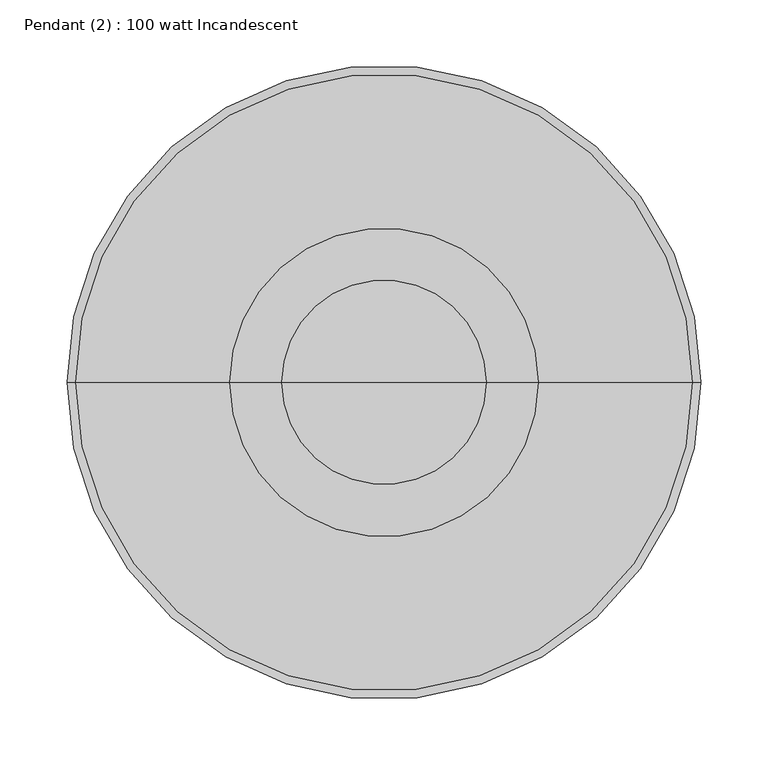
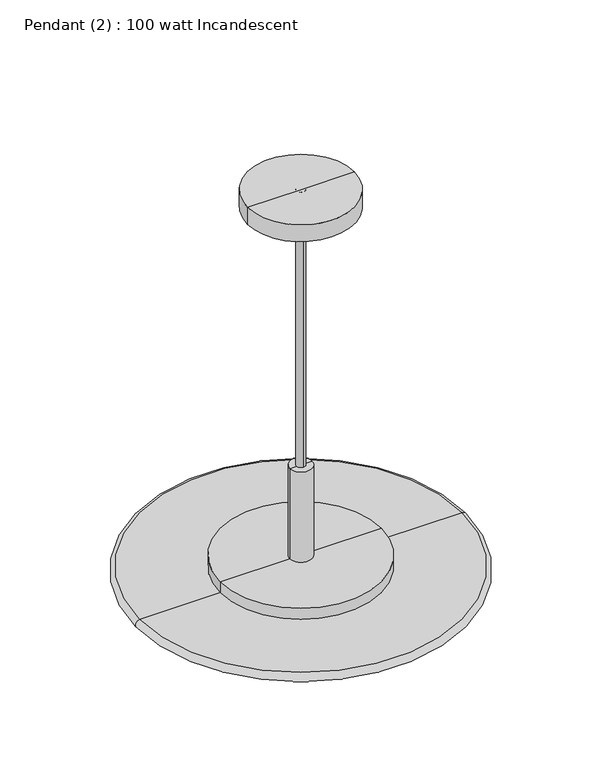
"""IFC4 building model written with IfcOpenShell, lengths in millimetres: light fixture geometry, Pendant (2) : 100 watt Incandescent."""

import ifcopenshell
import ifcopenshell.guid

model = None  # the IFC model being written
_history = None  # IfcOwnerHistory: only IFC2X3 demands one
_inside = {}  # id of a spatial element -> (the spatial element, [elements in it])
_under = {}  # id of a project, library or spatial element -> (it, [spatial elements below it])
_declared = {}  # id of a project -> (the project, [libraries it declares])
_typed = {}  # id of a type object -> (the type object, [elements of that type])
_made_of = {}  # id of a material, layer set ... -> (it, [elements and type objects made of it])


def new_model(schema):
    """Start an empty IFC model of exactly this schema.

    Asked for "IFC4X3", IfcOpenShell would pick the latest addendum, in which some entities
    have other attributes; the version numbers below select the first issue.
    IFC2X3 requires an IfcOwnerHistory on every rooted entity: one is made here for all.
    """
    global model, _history
    if schema == "IFC4X3":
        model = ifcopenshell.file(schema_version=(4, 3, 0, 0))
    else:
        model = ifcopenshell.file(schema=schema)
    _inside.clear()
    _under.clear()
    _declared.clear()
    _typed.clear()
    _made_of.clear()
    _history = None
    if model.schema == "IFC2X3":
        org = make("IfcOrganization", Name="unknown")
        user = make(
            "IfcPersonAndOrganization",
            ThePerson=make("IfcPerson", FamilyName="unknown"),
            TheOrganization=org,
        )
        app = make(
            "IfcApplication",
            ApplicationDeveloper=org,
            Version="unknown",
            ApplicationFullName="unknown",
            ApplicationIdentifier="unknown",
        )
        _history = make(
            "IfcOwnerHistory",
            OwningUser=user,
            OwningApplication=app,
            ChangeAction="ADDED",
            CreationDate=0,
        )
    return model


def make(cls, **values):
    """One entity of the class cls with the attributes given. An attribute that is None is left unset."""
    return model.create_entity(
        cls, **{name: value for name, value in values.items() if value is not None}
    )


def rooted(cls, **values):
    """An entity with a GlobalId (a new one), such as an element, a storey or a relation."""
    return make(cls, GlobalId=ifcopenshell.guid.new(), OwnerHistory=_history, **values)


def si_unit(unit_type, name, prefix=None):
    """IfcSIUnit, for example si_unit("LENGTHUNIT", "METRE", prefix="MILLI")."""
    return make("IfcSIUnit", UnitType=unit_type, Prefix=prefix, Name=name)


def assignment(units):
    """IfcUnitAssignment: the units of a project."""
    return None if units is None else make("IfcUnitAssignment", Units=units)


def point(xyz):
    """IfcCartesianPoint."""
    return None if xyz is None else make("IfcCartesianPoint", Coordinates=xyz)


def direction(xyz):
    """IfcDirection."""
    return None if xyz is None else make("IfcDirection", DirectionRatios=xyz)


def frame(location, z_axis=None, x_axis=None):
    """IfcAxis2Placement3D, a coordinate frame: its origin and axes. An axis left out is left unset."""
    return make(
        "IfcAxis2Placement3D",
        Location=point(location),
        Axis=direction(z_axis),
        RefDirection=direction(x_axis),
    )


def frame_2d(location, x_axis=None):
    """IfcAxis2Placement2D, a coordinate frame in the plane: its origin and x axis."""
    return make(
        "IfcAxis2Placement2D", Location=point(location), RefDirection=direction(x_axis)
    )


def origin():
    """The frame at (0, 0, 0) with its axes left unset."""
    return frame((0.0, 0.0, 0.0))


def origin_2d():
    """The frame at (0, 0) in the plane with its x axis left unset."""
    return frame_2d((0.0, 0.0))


def place(relative_to, where):
    """IfcLocalPlacement: puts the frame where relative to a parent placement (None: the world)."""
    return make(
        "IfcLocalPlacement", PlacementRelTo=relative_to, RelativePlacement=where
    )


def context(
    kind, dimensions, precision=None, world=None, true_north=None, identifier=None
):
    """IfcGeometricRepresentationContext, for example the 3D "Model" context."""
    return make(
        "IfcGeometricRepresentationContext",
        ContextIdentifier=identifier,
        ContextType=kind,
        CoordinateSpaceDimension=dimensions,
        Precision=precision,
        WorldCoordinateSystem=world,
        TrueNorth=true_north,
    )


def project(units=None, contexts=None):
    """IfcProject with its units and contexts."""
    return rooted(
        "IfcProject",
        Name="project",
        RepresentationContexts=contexts,
        UnitsInContext=assignment(units),
    )


def spatial(cls, under=None, at=None, **own):
    """A site, building, storey or space (cls), placed at a placement, below another one or the project."""
    s = rooted(cls, ObjectPlacement=at, **own)
    if under is not None:
        _under.setdefault(under.id(), (under, []))[1].append(s)
    return s


def polyline(points):
    """IfcPolyline through the points."""
    return make("IfcPolyline", Points=[point(p) for p in points])


def circle_curve(where, radius):
    """IfcCircle in the frame where."""
    return make("IfcCircle", Position=where, Radius=radius)


def ellipse_curve(where, semi_axis1, semi_axis2):
    """IfcEllipse in the frame where."""
    return make(
        "IfcEllipse", Position=where, SemiAxis1=semi_axis1, SemiAxis2=semi_axis2
    )


def trimmed(basis, trim1, trim2, sense, master):
    """IfcTrimmedCurve: the piece of a basis curve between two trims."""
    return make(
        "IfcTrimmedCurve",
        BasisCurve=basis,
        Trim1=trim1,
        Trim2=trim2,
        SenseAgreement=sense,
        MasterRepresentation=master,
    )


def segment(curve, same_sense, transition):
    """IfcCompositeCurveSegment."""
    return make(
        "IfcCompositeCurveSegment",
        Transition=transition,
        SameSense=same_sense,
        ParentCurve=curve,
    )


def composite_curve(segments, self_intersect=None):
    """IfcCompositeCurve: segments joined end to end."""
    return make("IfcCompositeCurve", Segments=segments, SelfIntersect=self_intersect)


def outline(outer, holes=None, kind="AREA"):
    """IfcArbitraryClosedProfileDef: a profile drawn as a closed curve; with holes, ...WithVoids."""
    if holes is None:
        return make("IfcArbitraryClosedProfileDef", ProfileType=kind, OuterCurve=outer)
    return make(
        "IfcArbitraryProfileDefWithVoids",
        ProfileType=kind,
        OuterCurve=outer,
        InnerCurves=holes,
    )


def extrude(swept, where, along, depth):
    """IfcExtrudedAreaSolid: the profile swept, set in the frame where, extruded along a direction by depth."""
    return make(
        "IfcExtrudedAreaSolid",
        SweptArea=swept,
        Position=where,
        ExtrudedDirection=direction(along),
        Depth=depth,
    )


def shape(context_of_items, identifier, shape_type, items):
    """IfcShapeRepresentation: the items that make up one representation, for example the "Body"."""
    return make(
        "IfcShapeRepresentation",
        ContextOfItems=context_of_items,
        RepresentationIdentifier=identifier,
        RepresentationType=shape_type,
        Items=items,
    )


def source(mapping_origin, context_of_items, identifier, shape_type, items):
    """IfcRepresentationMap: a shape defined once, which mapped items show again and again."""
    return make(
        "IfcRepresentationMap",
        MappingOrigin=mapping_origin,
        MappedRepresentation=shape(context_of_items, identifier, shape_type, items),
    )


def transform(
    local_origin,
    x_axis=None,
    y_axis=None,
    z_axis=None,
    scale=None,
    scale2=None,
    scale3=None,
    uniform=True,
):
    """IfcCartesianTransformationOperator3D, or its non-uniform kind. x_axis, y_axis, z_axis: its Axis1, 2, 3."""
    if uniform:
        return make(
            "IfcCartesianTransformationOperator3D",
            Axis1=direction(x_axis),
            Axis2=direction(y_axis),
            LocalOrigin=point(local_origin),
            Scale=scale,
            Axis3=direction(z_axis),
        )
    return make(
        "IfcCartesianTransformationOperator3DnonUniform",
        Axis1=direction(x_axis),
        Axis2=direction(y_axis),
        LocalOrigin=point(local_origin),
        Scale=scale,
        Axis3=direction(z_axis),
        Scale2=scale2,
        Scale3=scale3,
    )


def mapped(mapping_source, mapping_target):
    """IfcMappedItem: shows the shape of a source again, moved by a transform."""
    return make(
        "IfcMappedItem", MappingSource=mapping_source, MappingTarget=mapping_target
    )


def made_of(thing, what):
    """Note that an element or type object is made of a material, layer set ...; save() writes the relation."""
    if what is not None:
        _made_of.setdefault(what.id(), (what, []))[1].append(thing)
    return thing


def element(
    cls,
    number,
    at=None,
    inside=None,
    cuts=None,
    type_object=None,
    material=None,
    context=None,
    identifier="Body",
    shape_type=None,
    held_by="IfcProductDefinitionShape",
    body=None,
    shapes=None,
    **own,
):
    """One element of the class cls, such as IfcWall. Its Tag is "e" and its number.

    at: its placement. inside: the storey or other place that contains it. cuts: it is an
    opening in that element (IfcRelVoidsElement). A single representation is given by context,
    identifier, shape_type and body (its items); several are given by shapes. held_by: the class
    of the entity that holds the representations. save() writes the other relations.
    """
    e = rooted(cls, Tag="e%d" % number, ObjectPlacement=at, **own)
    if body is not None:
        shapes = [shape(context, identifier, shape_type, body)]
    if shapes is not None:
        e.Representation = make(held_by, Representations=shapes)
    if inside is not None:
        _inside.setdefault(inside.id(), (inside, []))[1].append(e)
    if cuts is not None:
        rooted(
            "IfcRelVoidsElement", RelatingBuildingElement=cuts, RelatedOpeningElement=e
        )
    if type_object is not None:
        _typed.setdefault(type_object.id(), (type_object, []))[1].append(e)
    return made_of(e, material)


def aggregate(whole, parts):
    """IfcRelAggregates: a whole, such as a stair, and the parts it consists of."""
    return rooted("IfcRelAggregates", RelatingObject=whole, RelatedObjects=parts)


def save(model, path):
    """Write the relations noted so far, then the file.

    IfcRelAggregates (storeys below a building ...), IfcRelContainedInSpatialStructure (elements
    in a storey), IfcRelDefinesByType, IfcRelAssociatesMaterial and IfcRelDeclares: one each for
    every whole, place, type object, material and project.
    """
    for whole, parts in _under.values():
        aggregate(whole, parts)
    for where, things in _inside.values():
        rooted(
            "IfcRelContainedInSpatialStructure",
            RelatedElements=things,
            RelatingStructure=where,
        )
    for kind, things in _typed.values():
        rooted("IfcRelDefinesByType", RelatedObjects=things, RelatingType=kind)
    for what, things in _made_of.values():
        rooted("IfcRelAssociatesMaterial", RelatedObjects=things, RelatingMaterial=what)
    for by, libraries in _declared.values():
        rooted("IfcRelDeclares", RelatingContext=by, RelatedDefinitions=libraries)
    model.write(path)


def plane_surface(at):
    """IfcPlane: the flat surface through the origin of the frame at, square to its z axis."""
    return make("IfcPlane", Position=at)


def cylinder_surface(at, radius):
    """IfcCylindricalSurface: all points at the distance radius from the z axis of the frame at."""
    return make("IfcCylindricalSurface", Position=at, Radius=radius)


def revolved_surface(curve, axis_point, axis_direction):
    """IfcSurfaceOfRevolution: the curve turned about the line through axis_point along axis_direction."""
    return make(
        "IfcSurfaceOfRevolution",
        SweptCurve=make("IfcArbitraryOpenProfileDef", ProfileType="CURVE", Curve=curve),
        AxisPosition=make("IfcAxis1Placement", Location=point(axis_point), Axis=direction(axis_direction)),
    )


def advanced_brep(points, edges, surfaces, faces):
    """IfcAdvancedBrep: a solid bounded by faces that lie on surfaces and meet in shared edges.

    An edge is (start, end): straight between two places in points (the first is 0);
    or (start, end, curve); or (start, end, curve, False) where it runs against its curve.
    A face is (place in surfaces, loops), or (place, loops, False) where it looks against
    its surface's normal. A loop lists edges by number (the first is 1), with a minus sign
    where the edge is run from its end to its start. The first loop is the outer one.
    """
    corners = [point(p) for p in points]
    vertices = [make("IfcVertexPoint", VertexGeometry=c) for c in corners]
    made = []
    for start, end, *more in edges:
        made.append(
            make(
                "IfcEdgeCurve",
                EdgeStart=vertices[start],
                EdgeEnd=vertices[end],
                EdgeGeometry=more[0] if more else make("IfcPolyline", Points=[corners[start], corners[end]]),
                SameSense=more[1] if len(more) > 1 else True,
            )
        )
    hull = []
    for where, loops, *sense in faces:
        bounds = []
        for j, loop in enumerate(loops):
            ring = [make("IfcOrientedEdge", EdgeElement=made[abs(k) - 1], Orientation=k > 0) for k in loop]
            bounds.append(
                make(
                    "IfcFaceOuterBound" if j == 0 else "IfcFaceBound",
                    Bound=make("IfcEdgeLoop", EdgeList=ring),
                    Orientation=True,
                )
            )
        hull.append(make("IfcAdvancedFace", Bounds=bounds, FaceSurface=surfaces[where], SameSense=sense[0] if sense else True))
    return make("IfcAdvancedBrep", Outer=make("IfcClosedShell", CfsFaces=hull))


def pendant_2_100_watt_incandescent_f5747c87(model_context):
    return source(origin(), model_context, "Body", "SolidModel", [
        advanced_brep(
        [(76.2, 0.0, 2413.0000062), (-76.2, 0.0, 2413.0000062), (-76.2, 0.0, 2438.4000062), (76.2, 0.0, 2438.4000062), (0.0, 0.0, 2377.4673627), (0.0, 0.0, 2438.4000062)],
        [
            (0, 1, circle_curve(frame((0.0, 0.0, 2413.0000062), z_axis=(0.0, 0.0, 1.0), x_axis=(-1.0, 0.0, 0.0)), 76.2)),
            (1, 2),
            (2, 3, circle_curve(frame((0.0, 0.0, 2438.4000062), z_axis=(0.0, 0.0, -1.0), x_axis=(-1.0, 0.0, 0.0)), 76.2)),
            (3, 0),
            (1, 0, circle_curve(frame((0.0, 0.0, 2413.0000062), z_axis=(0.0, 0.0, 1.0), x_axis=(-1.0, 0.0, 0.0)), 76.2)),
            (3, 2, circle_curve(frame((0.0, 0.0, 2438.4000062), z_axis=(0.0, 0.0, -1.0), x_axis=(-1.0, 0.0, 0.0)), 76.2)),
            (4, 1),
            (0, 4),
            (2, 5),
            (5, 3),
        ],
        [
            cylinder_surface(frame((0.0, 0.0, 2514.6000062), z_axis=(0.0, 0.0, -1.0), x_axis=(-1.0, 0.0, 0.0)), 76.2),
            revolved_surface(polyline([(-76.2, 0.0, 2413.0000062), (0.0, 0.0, 2377.4673627)]), (0.0, 0.0, 2514.6000062), (0.0, 0.0, -1.0)),
            plane_surface(frame((0.0, 0.0, 2438.4000062), z_axis=(0.0, 0.0, 1.0), x_axis=(-1.0, 0.0, 0.0))),
        ],
        [
            (0, [[1, 2, 3, 4]]),
            (0, [[5, -4, 6, -2]]),
            (1, [[7, -1, 8]]),
            (1, [[-8, -5, -7]]),
            (2, [[-3, 9, 10]]),
            (2, [[-6, -10, -9]]),
        ],
    ),
        advanced_brep(
        [(15.875, 0.0, 1886.475253), (-15.875, 0.0, 1886.475253), (-15.875, 0.0, 2022.55), (15.875, 0.0, 2022.55), (115.0, 0.0, 1886.475253), (-115.0, 0.0, 1886.475253), (115.0, 0.0, 1851.1000062), (-115.0, 0.0, 1851.1000062), (38.1, 0.0, 1851.1000062), (-38.1, 0.0, 1851.1000062), (38.1, 0.0, 1870.15), (-38.1, 0.0, 1870.15), (0.0, 0.0, 1870.15), (0.0, 0.0, 2022.55)],
        [
            (0, 1, circle_curve(frame((0.0, 0.0, 1886.475253), z_axis=(0.0, 0.0, 1.0), x_axis=(-1.0, 0.0, 0.0)), 15.875)),
            (1, 2),
            (2, 3, circle_curve(frame((0.0, 0.0, 2022.55), z_axis=(0.0, 0.0, -1.0), x_axis=(-1.0, 0.0, 0.0)), 15.875)),
            (3, 0),
            (1, 0, circle_curve(frame((0.0, 0.0, 1886.475253), z_axis=(0.0, 0.0, 1.0), x_axis=(-1.0, 0.0, 0.0)), 15.875)),
            (3, 2, circle_curve(frame((0.0, 0.0, 2022.55), z_axis=(0.0, 0.0, -1.0), x_axis=(-1.0, 0.0, 0.0)), 15.875)),
            (4, 5, circle_curve(frame((0.0, 0.0, 1886.475253), z_axis=(0.0, 0.0, 1.0), x_axis=(-1.0, 0.0, 0.0)), 115.0)),
            (5, 1),
            (0, 4),
            (5, 4, circle_curve(frame((0.0, 0.0, 1886.475253), z_axis=(0.0, 0.0, 1.0), x_axis=(-1.0, 0.0, 0.0)), 115.0)),
            (6, 7, circle_curve(frame((0.0, 0.0, 1851.1000062), z_axis=(0.0, 0.0, 1.0), x_axis=(-1.0, 0.0, 0.0)), 115.0)),
            (7, 5),
            (4, 6),
            (7, 6, circle_curve(frame((0.0, 0.0, 1851.1000062), z_axis=(0.0, 0.0, 1.0), x_axis=(-1.0, 0.0, 0.0)), 115.0)),
            (8, 9, circle_curve(frame((0.0, 0.0, 1851.1000062), z_axis=(0.0, 0.0, 1.0), x_axis=(-1.0, 0.0, 0.0)), 38.1)),
            (9, 7),
            (6, 8),
            (9, 8, circle_curve(frame((0.0, 0.0, 1851.1000062), z_axis=(0.0, 0.0, 1.0), x_axis=(-1.0, 0.0, 0.0)), 38.1)),
            (10, 11, circle_curve(frame((0.0, 0.0, 1870.15), z_axis=(0.0, 0.0, 1.0), x_axis=(-1.0, 0.0, 0.0)), 38.1)),
            (11, 9),
            (8, 10),
            (11, 10, circle_curve(frame((0.0, 0.0, 1870.15), z_axis=(0.0, 0.0, 1.0), x_axis=(-1.0, 0.0, 0.0)), 38.1)),
            (12, 11),
            (10, 12),
            (2, 13),
            (13, 3),
        ],
        [
            cylinder_surface(frame((0.0, 0.0, 2046.6629221), z_axis=(0.0, 0.0, -1.0), x_axis=(-1.0, 0.0, 0.0)), 15.875),
            plane_surface(frame((0.0, 0.0, 1886.475253), z_axis=(0.0, 0.0, 1.0), x_axis=(-1.0, 0.0, 0.0))),
            cylinder_surface(frame((0.0, 0.0, 2046.6629221), z_axis=(0.0, 0.0, -1.0), x_axis=(-1.0, 0.0, 0.0)), 115.0),
            plane_surface(frame((0.0, 0.0, 1851.1000062), z_axis=(0.0, 0.0, -1.0), x_axis=(-1.0, 0.0, 0.0))),
            revolved_surface(polyline([(-38.1, 0.0, 1851.1000062), (-38.1, 0.0, 1870.15)]), (0.0, 0.0, 2046.6629221), (0.0, 0.0, -1.0)),
            plane_surface(frame((0.0, 0.0, 1870.15), z_axis=(0.0, 0.0, -1.0), x_axis=(-1.0, 0.0, 0.0))),
            plane_surface(frame((0.0, 0.0, 2022.55), z_axis=(0.0, 0.0, 1.0), x_axis=(-1.0, 0.0, 0.0))),
        ],
        [
            (0, [[1, 2, 3, 4]]),
            (0, [[5, -4, 6, -2]]),
            (1, [[7, 8, -1, 9]]),
            (1, [[10, -9, -5, -8]]),
            (2, [[11, 12, -7, 13]]),
            (2, [[14, -13, -10, -12]]),
            (3, [[15, 16, -11, 17]]),
            (3, [[18, -17, -14, -16]]),
            (4, [[19, 20, -15, 21]]),
            (4, [[22, -21, -18, -20]]),
            (5, [[23, -19, 24]]),
            (5, [[-24, -22, -23]]),
            (6, [[-3, 25, 26]]),
            (6, [[-6, -26, -25]]),
        ],
    ),
        extrude(outline(composite_curve([segment(trimmed(circle_curve(origin_2d(), 6.35), [point((0.0, 6.35))], [point((0.0, -6.35))], False, "CARTESIAN"), True, "CONTINUOUS"), segment(trimmed(circle_curve(origin_2d(), 6.35), [point((0.0, -6.35))], [point((0.0, 6.35))], False, "CARTESIAN"), True, "CONTINUOUS")], self_intersect=False)), frame((0.0, 0.0, 1851.1000062), z_axis=(0.0, 0.0, 1.0), x_axis=(1.0, 0.0, 0.0)), (0.0, 0.0, 1.0), 587.3),
        advanced_brep(
        [(0.0, 0.0, 1857.45), (-230.0, 0.0, 1857.45), (230.0, 0.0, 1857.45), (230.0, 0.0, 1870.15), (-230.0, 0.0, 1870.15), (0.0, 0.0, 1870.15)],
        [
            (0, 1),
            (1, 2, circle_curve(frame((0.0, 0.0, 1857.45), z_axis=(0.0, 0.0, -1.0), x_axis=(-1.0, 0.0, 0.0)), 230.0)),
            (2, 0),
            (2, 1, circle_curve(frame((0.0, 0.0, 1857.45), z_axis=(0.0, 0.0, -1.0), x_axis=(-1.0, 0.0, 0.0)), 230.0)),
            (3, 4, circle_curve(frame((0.0, 0.0, 1870.15), z_axis=(0.0, 0.0, 1.0), x_axis=(-1.0, 0.0, 0.0)), 230.0)),
            (4, 5),
            (5, 3),
            (4, 3, circle_curve(frame((0.0, 0.0, 1870.15), z_axis=(0.0, 0.0, 1.0), x_axis=(-1.0, 0.0, 0.0)), 230.0)),
            (1, 4, circle_curve(frame((-230.0, 0.0, 1863.8), z_axis=(0.0, 1.0, 0.0), x_axis=(0.0, 0.0, -1.0)), 6.35)),
            (3, 2, circle_curve(frame((230.0, 0.0, 1863.8), z_axis=(0.0, 1.0, 0.0), x_axis=(0.0, 0.0, -1.0)), 6.35)),
        ],
        [
            plane_surface(frame((0.0, 0.0, 1857.45), z_axis=(0.0, 0.0, -1.0), x_axis=(-1.0, 0.0, 0.0))),
            plane_surface(frame((0.0, 0.0, 1870.15), z_axis=(0.0, 0.0, 1.0), x_axis=(-1.0, 0.0, 0.0))),
            revolved_surface(trimmed(ellipse_curve(frame((-230.0, 0.0, 1863.8), z_axis=(0.0, -1.0, 0.0), x_axis=(0.0, 0.0, -1.0)), 6.35, 6.35), [point((-230.0, 0.0, 1870.15))], [point((-230.0, 0.0, 1857.45))], True, "CARTESIAN"), (0.0, 0.0, 1935.2510876), (0.0, 0.0, -1.0)),
        ],
        [
            (0, [[1, 2, 3]]),
            (0, [[-3, 4, -1]]),
            (1, [[5, 6, 7]]),
            (1, [[8, -7, -6]]),
            (2, [[-2, 9, -5, 10]]),
            (2, [[-4, -10, -8, -9]]),
        ],
    ),
    ])


if __name__ == "__main__":
    model = new_model("IFC4")
    model_context = context("Model", 3, world=origin())
    ifc_project = project(units=[si_unit("LENGTHUNIT", "METRE", prefix="MILLI")], contexts=[model_context])
    site = spatial("IfcSite", under=ifc_project)
    building = spatial("IfcBuilding", under=site)
    placement = place(None, origin())
    pendant_2_100_watt_incandescent_shape = pendant_2_100_watt_incandescent_f5747c87(model_context)
    element("IfcLightFixture", 1, ObjectType="Pendant (2) : 100 watt Incandescent", at=placement, inside=building, context=model_context, shape_type="MappedRepresentation", body=[
        mapped(pendant_2_100_watt_incandescent_shape, transform((0.0, 0.0, 0.0), x_axis=(1.0, 0.0, 0.0), y_axis=(0.0, 1.0, 0.0), z_axis=(0.0, 0.0, 1.0))),
    ])
    save(model, "model.ifc")
